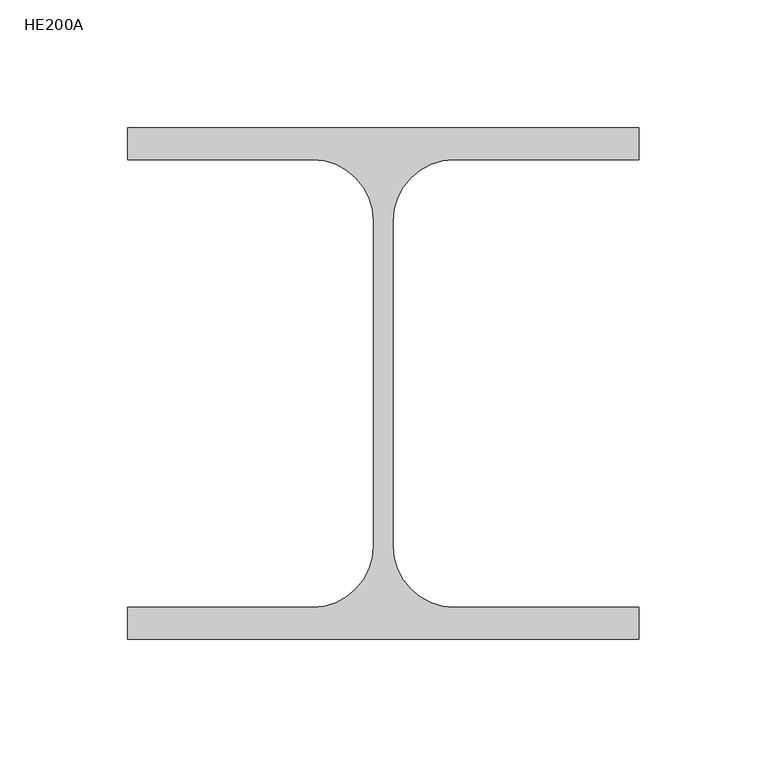
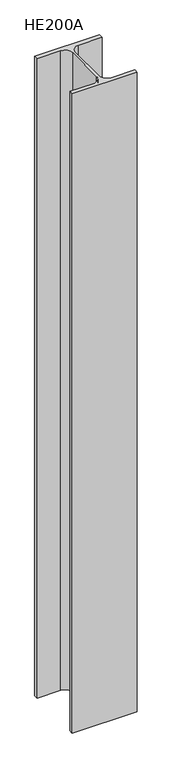
"""IFC4 building model written with IfcOpenShell, lengths in millimetres: column geometry, HE200A."""

from ifc_helpers import new_model, si_unit, point, frame, frame_2d, origin, place, context, project, spatial, polyline, circle_curve, trimmed, segment, composite_curve, outline, extrude, source, transform, mapped, element, save


def he200a_8db3f73d(model_context):
    return source(origin(), model_context, "Body", "SweptSolid", [
        extrude(outline(composite_curve([segment(polyline([(100.0, 100.0), (100.0, 87.5), (27.75, 87.5)]), True, "CONTINUOUS"), segment(trimmed(circle_curve(frame_2d((27.75, 63.5)), 24.0), [point((27.75, 87.5))], [point((3.75, 63.5))], True, "CARTESIAN"), True, "CONTINUOUS"), segment(polyline([(3.75, 63.5), (3.75, -63.5)]), True, "CONTINUOUS"), segment(trimmed(circle_curve(frame_2d((27.75, -63.5)), 24.0), [point((3.75, -63.5))], [point((27.75, -87.5))], True, "CARTESIAN"), True, "CONTINUOUS"), segment(polyline([(27.75, -87.5), (100.0, -87.5), (100.0, -100.0), (-100.0, -100.0), (-100.0, -87.5), (-27.75, -87.5)]), True, "CONTINUOUS"), segment(trimmed(circle_curve(frame_2d((-27.75, -63.5)), 24.0), [point((-27.75, -87.5))], [point((-3.75, -63.5))], True, "CARTESIAN"), True, "CONTINUOUS"), segment(polyline([(-3.75, -63.5), (-3.75, 63.5)]), True, "CONTINUOUS"), segment(trimmed(circle_curve(frame_2d((-27.75, 63.5)), 24.0), [point((-3.75, 63.5))], [point((-27.75, 87.5))], True, "CARTESIAN"), True, "CONTINUOUS"), segment(polyline([(-27.75, 87.5), (-100.0, 87.5), (-100.0, 100.0), (100.0, 100.0)]), True, "CONTINUOUS")], self_intersect=False)), frame((0.0, 0.0, 8050.0), z_axis=(0.0, 0.0, 1.0), x_axis=(1.0, 0.0, 0.0)), (0.0, 0.0, 1.0), 2080.0),
    ])


if __name__ == "__main__":
    model = new_model("IFC4")
    model_context = context("Model", 3, world=origin())
    ifc_project = project(units=[si_unit("LENGTHUNIT", "METRE", prefix="MILLI")], contexts=[model_context])
    site = spatial("IfcSite", under=ifc_project)
    building = spatial("IfcBuilding", under=site)
    placement = place(None, origin())
    he200a_shape = he200a_8db3f73d(model_context)
    element("IfcColumn", 1, ObjectType="HE200A", at=placement, inside=building, context=model_context, shape_type="MappedRepresentation", body=[
        mapped(he200a_shape, transform((0.0, 0.0, 0.0), x_axis=(1.0, 0.0, 0.0), y_axis=(0.0, 1.0, 0.0), z_axis=(0.0, 0.0, 1.0))),
    ])
    save(model, "model.ifc")
